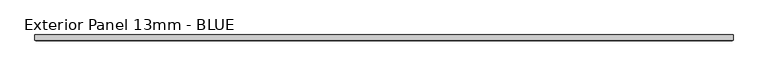
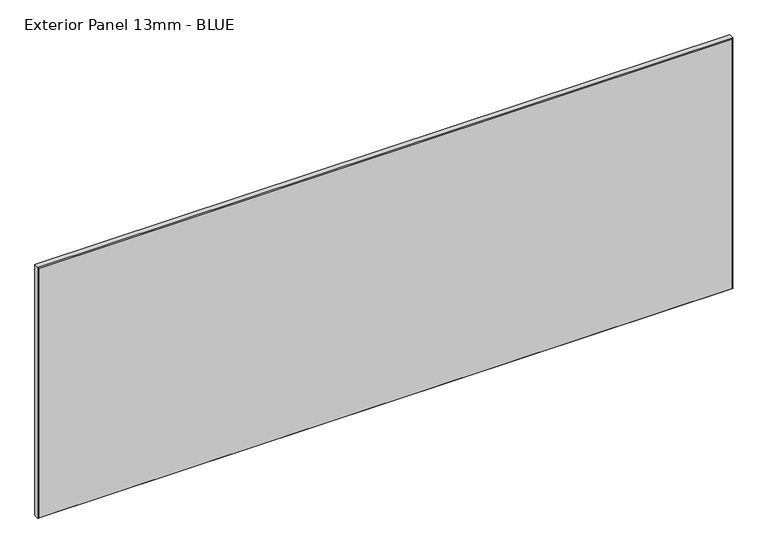
"""IFC4 building model written with IfcOpenShell, lengths in millimetres: proxy geometry, Exterior Panel 13mm - BLUE."""

from ifc_helpers import new_model, si_unit, origin, place, context, project, spatial, faceted_brep, source, transform, mapped, element, save


def exterior_panel_13mm_blue_cb245538(model_context):
    return source(origin(), model_context, "Body", "Brep", [
        faceted_brep([(1090.6125, 6.35, 571.5), (-406.4, 6.35, 571.5), (-406.4, -4.7625, 571.5), (1090.6125, -4.7625, 571.5), (1090.6125, 6.35, 0.0), (1090.6125, -4.7625, 0.0), (-406.4, -4.7625, 0.0), (-406.4, 6.35, 0.0), (-404.8125, -6.35, 569.9125), (-404.8125, -6.35, 1.5875), (1089.025, -6.35, 1.5875), (1089.025, -6.35, 569.9125)], [[[0, 1, 2, 3]], [[4, 5, 6, 7]], [[1, 0, 4, 7]], [[2, 1, 7, 6]], [[8, 9, 10, 11]], [[0, 3, 5, 4]], [[2, 6, 9, 8]], [[5, 3, 11, 10]], [[3, 2, 8, 11]], [[6, 5, 10, 9]]]),
    ])


if __name__ == "__main__":
    model = new_model("IFC4")
    model_context = context("Model", 3, world=origin())
    ifc_project = project(units=[si_unit("LENGTHUNIT", "METRE", prefix="MILLI")], contexts=[model_context])
    site = spatial("IfcSite", under=ifc_project)
    building = spatial("IfcBuilding", under=site)
    placement = place(None, origin())
    exterior_panel_13mm_blue_shape = exterior_panel_13mm_blue_cb245538(model_context)
    element("IfcBuildingElementProxy", 1, Name="Exterior Panel 13mm - BLUE", ObjectType="Exterior Panel 13mm - BLUE", at=placement, inside=building, context=model_context, shape_type="MappedRepresentation", body=[
        mapped(exterior_panel_13mm_blue_shape, transform((0.0, 0.0, 0.0), x_axis=(1.0, 0.0, 0.0), y_axis=(0.0, 1.0, 0.0), z_axis=(0.0, 0.0, 1.0))),
    ])
    save(model, "model.ifc")
